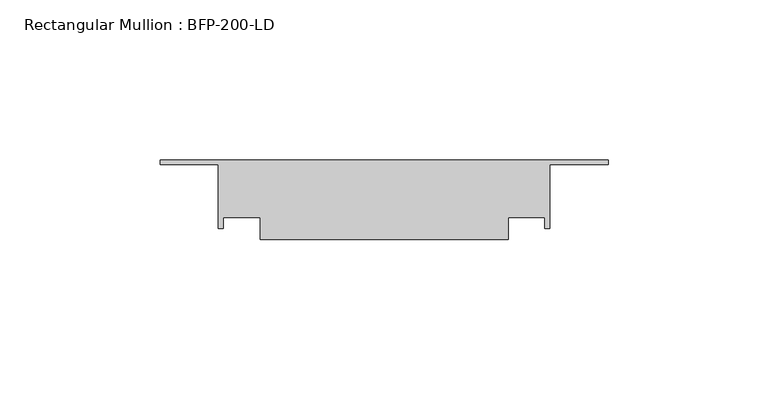
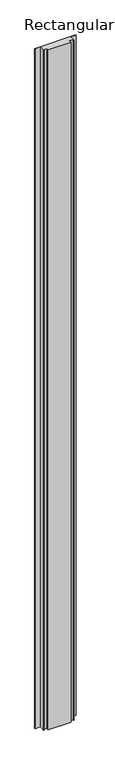
"""IFC4 building model written with IfcOpenShell, lengths in millimetres: member geometry, Rectangular Mullion : BFP-200-LD."""

from ifc_helpers import new_model, si_unit, frame, origin, place, context, project, spatial, polyline, outline, extrude, source, transform, mapped, element, save


def rectangular_mullion_bfp_200_ld_9b48a562(model_context):
    return source(origin(), model_context, "Body", "SweptSolid", [
        extrude(outline(polyline([(-38.75, -45.0), (-38.75, -38.0), (-50.25, -38.0), (-50.25, -41.5), (-51.75, -41.5), (-51.75, -21.5), (-70.0, -21.5), (-70.0, -20.0), (70.0, -20.0), (70.0, -21.5), (51.75, -21.5), (51.75, -41.5), (50.25, -41.5), (50.25, -38.0), (38.75, -38.0), (38.75, -45.0), (-38.75, -45.0)])), frame((0.0, 0.0, -2450.0), z_axis=(0.0, 0.0, 1.0), x_axis=(1.0, 0.0, 0.0)), (0.0, 0.0, 1.0), 2450.0),
    ])


if __name__ == "__main__":
    model = new_model("IFC4")
    model_context = context("Model", 3, world=origin())
    ifc_project = project(units=[si_unit("LENGTHUNIT", "METRE", prefix="MILLI")], contexts=[model_context])
    site = spatial("IfcSite", under=ifc_project)
    building = spatial("IfcBuilding", under=site)
    placement = place(None, origin())
    rectangular_mullion_bfp_200_ld_shape = rectangular_mullion_bfp_200_ld_9b48a562(model_context)
    element("IfcMember", 1, ObjectType="Rectangular Mullion : BFP-200-LD", at=placement, inside=building, context=model_context, shape_type="MappedRepresentation", body=[
        mapped(rectangular_mullion_bfp_200_ld_shape, transform((0.0, 0.0, 0.0), x_axis=(1.0, 0.0, 0.0), y_axis=(0.0, 1.0, 0.0), z_axis=(0.0, 0.0, 1.0))),
    ])
    save(model, "model.ifc")
